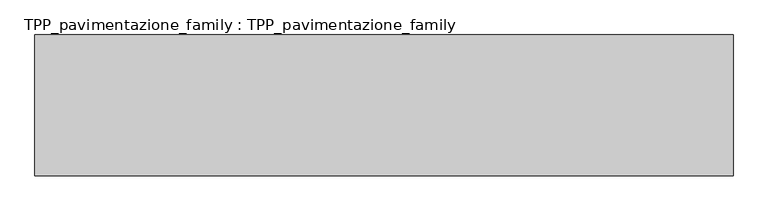
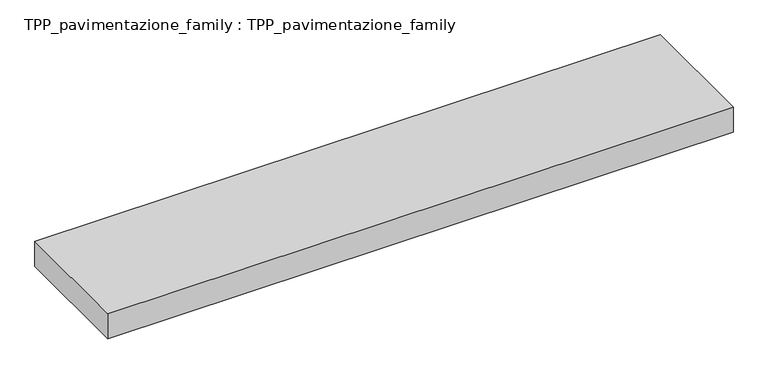
"""IFC4 building model written with IfcOpenShell, lengths in millimetres: proxy geometry, TPP_pavimentazione_family : TPP_pavimentazione_family."""

import ifcopenshell
import ifcopenshell.guid

model = None  # the IFC model being written
_history = None  # IfcOwnerHistory: only IFC2X3 demands one
_inside = {}  # id of a spatial element -> (the spatial element, [elements in it])
_under = {}  # id of a project, library or spatial element -> (it, [spatial elements below it])
_declared = {}  # id of a project -> (the project, [libraries it declares])
_typed = {}  # id of a type object -> (the type object, [elements of that type])
_made_of = {}  # id of a material, layer set ... -> (it, [elements and type objects made of it])


def new_model(schema):
    """Start an empty IFC model of exactly this schema.

    Asked for "IFC4X3", IfcOpenShell would pick the latest addendum, in which some entities
    have other attributes; the version numbers below select the first issue.
    IFC2X3 requires an IfcOwnerHistory on every rooted entity: one is made here for all.
    """
    global model, _history
    if schema == "IFC4X3":
        model = ifcopenshell.file(schema_version=(4, 3, 0, 0))
    else:
        model = ifcopenshell.file(schema=schema)
    _inside.clear()
    _under.clear()
    _declared.clear()
    _typed.clear()
    _made_of.clear()
    _history = None
    if model.schema == "IFC2X3":
        org = make("IfcOrganization", Name="unknown")
        user = make(
            "IfcPersonAndOrganization",
            ThePerson=make("IfcPerson", FamilyName="unknown"),
            TheOrganization=org,
        )
        app = make(
            "IfcApplication",
            ApplicationDeveloper=org,
            Version="unknown",
            ApplicationFullName="unknown",
            ApplicationIdentifier="unknown",
        )
        _history = make(
            "IfcOwnerHistory",
            OwningUser=user,
            OwningApplication=app,
            ChangeAction="ADDED",
            CreationDate=0,
        )
    return model


def make(cls, **values):
    """One entity of the class cls with the attributes given. An attribute that is None is left unset."""
    return model.create_entity(
        cls, **{name: value for name, value in values.items() if value is not None}
    )


def rooted(cls, **values):
    """An entity with a GlobalId (a new one), such as an element, a storey or a relation."""
    return make(cls, GlobalId=ifcopenshell.guid.new(), OwnerHistory=_history, **values)


def si_unit(unit_type, name, prefix=None):
    """IfcSIUnit, for example si_unit("LENGTHUNIT", "METRE", prefix="MILLI")."""
    return make("IfcSIUnit", UnitType=unit_type, Prefix=prefix, Name=name)


def assignment(units):
    """IfcUnitAssignment: the units of a project."""
    return None if units is None else make("IfcUnitAssignment", Units=units)


def point(xyz):
    """IfcCartesianPoint."""
    return None if xyz is None else make("IfcCartesianPoint", Coordinates=xyz)


def direction(xyz):
    """IfcDirection."""
    return None if xyz is None else make("IfcDirection", DirectionRatios=xyz)


def frame(location, z_axis=None, x_axis=None):
    """IfcAxis2Placement3D, a coordinate frame: its origin and axes. An axis left out is left unset."""
    return make(
        "IfcAxis2Placement3D",
        Location=point(location),
        Axis=direction(z_axis),
        RefDirection=direction(x_axis),
    )


def origin():
    """The frame at (0, 0, 0) with its axes left unset."""
    return frame((0.0, 0.0, 0.0))


def origin_with_axes():
    """The frame at (0, 0, 0) with the z axis (0, 0, 1) and the x axis (1, 0, 0) written out."""
    return frame((0.0, 0.0, 0.0), z_axis=(0.0, 0.0, 1.0), x_axis=(1.0, 0.0, 0.0))


def place(relative_to, where):
    """IfcLocalPlacement: puts the frame where relative to a parent placement (None: the world)."""
    return make(
        "IfcLocalPlacement", PlacementRelTo=relative_to, RelativePlacement=where
    )


def context(
    kind, dimensions, precision=None, world=None, true_north=None, identifier=None
):
    """IfcGeometricRepresentationContext, for example the 3D "Model" context."""
    return make(
        "IfcGeometricRepresentationContext",
        ContextIdentifier=identifier,
        ContextType=kind,
        CoordinateSpaceDimension=dimensions,
        Precision=precision,
        WorldCoordinateSystem=world,
        TrueNorth=true_north,
    )


def project(units=None, contexts=None):
    """IfcProject with its units and contexts."""
    return rooted(
        "IfcProject",
        Name="project",
        RepresentationContexts=contexts,
        UnitsInContext=assignment(units),
    )


def spatial(cls, under=None, at=None, **own):
    """A site, building, storey or space (cls), placed at a placement, below another one or the project."""
    s = rooted(cls, ObjectPlacement=at, **own)
    if under is not None:
        _under.setdefault(under.id(), (under, []))[1].append(s)
    return s


def polyline(points):
    """IfcPolyline through the points."""
    return make("IfcPolyline", Points=[point(p) for p in points])


def outline(outer, holes=None, kind="AREA"):
    """IfcArbitraryClosedProfileDef: a profile drawn as a closed curve; with holes, ...WithVoids."""
    if holes is None:
        return make("IfcArbitraryClosedProfileDef", ProfileType=kind, OuterCurve=outer)
    return make(
        "IfcArbitraryProfileDefWithVoids",
        ProfileType=kind,
        OuterCurve=outer,
        InnerCurves=holes,
    )


def extrude(swept, where, along, depth):
    """IfcExtrudedAreaSolid: the profile swept, set in the frame where, extruded along a direction by depth."""
    return make(
        "IfcExtrudedAreaSolid",
        SweptArea=swept,
        Position=where,
        ExtrudedDirection=direction(along),
        Depth=depth,
    )


def shape(context_of_items, identifier, shape_type, items):
    """IfcShapeRepresentation: the items that make up one representation, for example the "Body"."""
    return make(
        "IfcShapeRepresentation",
        ContextOfItems=context_of_items,
        RepresentationIdentifier=identifier,
        RepresentationType=shape_type,
        Items=items,
    )


def source(mapping_origin, context_of_items, identifier, shape_type, items):
    """IfcRepresentationMap: a shape defined once, which mapped items show again and again."""
    return make(
        "IfcRepresentationMap",
        MappingOrigin=mapping_origin,
        MappedRepresentation=shape(context_of_items, identifier, shape_type, items),
    )


def transform(
    local_origin,
    x_axis=None,
    y_axis=None,
    z_axis=None,
    scale=None,
    scale2=None,
    scale3=None,
    uniform=True,
):
    """IfcCartesianTransformationOperator3D, or its non-uniform kind. x_axis, y_axis, z_axis: its Axis1, 2, 3."""
    if uniform:
        return make(
            "IfcCartesianTransformationOperator3D",
            Axis1=direction(x_axis),
            Axis2=direction(y_axis),
            LocalOrigin=point(local_origin),
            Scale=scale,
            Axis3=direction(z_axis),
        )
    return make(
        "IfcCartesianTransformationOperator3DnonUniform",
        Axis1=direction(x_axis),
        Axis2=direction(y_axis),
        LocalOrigin=point(local_origin),
        Scale=scale,
        Axis3=direction(z_axis),
        Scale2=scale2,
        Scale3=scale3,
    )


def mapped(mapping_source, mapping_target):
    """IfcMappedItem: shows the shape of a source again, moved by a transform."""
    return make(
        "IfcMappedItem", MappingSource=mapping_source, MappingTarget=mapping_target
    )


def made_of(thing, what):
    """Note that an element or type object is made of a material, layer set ...; save() writes the relation."""
    if what is not None:
        _made_of.setdefault(what.id(), (what, []))[1].append(thing)
    return thing


def element(
    cls,
    number,
    at=None,
    inside=None,
    cuts=None,
    type_object=None,
    material=None,
    context=None,
    identifier="Body",
    shape_type=None,
    held_by="IfcProductDefinitionShape",
    body=None,
    shapes=None,
    **own,
):
    """One element of the class cls, such as IfcWall. Its Tag is "e" and its number.

    at: its placement. inside: the storey or other place that contains it. cuts: it is an
    opening in that element (IfcRelVoidsElement). A single representation is given by context,
    identifier, shape_type and body (its items); several are given by shapes. held_by: the class
    of the entity that holds the representations. save() writes the other relations.
    """
    e = rooted(cls, Tag="e%d" % number, ObjectPlacement=at, **own)
    if body is not None:
        shapes = [shape(context, identifier, shape_type, body)]
    if shapes is not None:
        e.Representation = make(held_by, Representations=shapes)
    if inside is not None:
        _inside.setdefault(inside.id(), (inside, []))[1].append(e)
    if cuts is not None:
        rooted(
            "IfcRelVoidsElement", RelatingBuildingElement=cuts, RelatedOpeningElement=e
        )
    if type_object is not None:
        _typed.setdefault(type_object.id(), (type_object, []))[1].append(e)
    return made_of(e, material)


def aggregate(whole, parts):
    """IfcRelAggregates: a whole, such as a stair, and the parts it consists of."""
    return rooted("IfcRelAggregates", RelatingObject=whole, RelatedObjects=parts)


def save(model, path):
    """Write the relations noted so far, then the file.

    IfcRelAggregates (storeys below a building ...), IfcRelContainedInSpatialStructure (elements
    in a storey), IfcRelDefinesByType, IfcRelAssociatesMaterial and IfcRelDeclares: one each for
    every whole, place, type object, material and project.
    """
    for whole, parts in _under.values():
        aggregate(whole, parts)
    for where, things in _inside.values():
        rooted(
            "IfcRelContainedInSpatialStructure",
            RelatedElements=things,
            RelatingStructure=where,
        )
    for kind, things in _typed.values():
        rooted("IfcRelDefinesByType", RelatedObjects=things, RelatingType=kind)
    for what, things in _made_of.values():
        rooted("IfcRelAssociatesMaterial", RelatedObjects=things, RelatingMaterial=what)
    for by, libraries in _declared.values():
        rooted("IfcRelDeclares", RelatingContext=by, RelatedDefinitions=libraries)
    model.write(path)


def tpp_pavimentazione_family_tpp_pavimentazione_family_1d4ffa56(model_context):
    return source(origin(), model_context, "Body", "SweptSolid", [
        extrude(outline(polyline([(511.8146187, 354.2201026), (511.8146187, 114.2201026), (-676.4573313, 114.2201026), (-676.4573313, 354.2201026), (511.8146187, 354.2201026)])), origin_with_axes(), (0.0, 0.0, 1.0), 50.0),
    ])


if __name__ == "__main__":
    model = new_model("IFC4")
    model_context = context("Model", 3, world=origin())
    ifc_project = project(units=[si_unit("LENGTHUNIT", "METRE", prefix="MILLI")], contexts=[model_context])
    site = spatial("IfcSite", under=ifc_project)
    building = spatial("IfcBuilding", under=site)
    placement = place(None, origin())
    tpp_pavimentazione_family_tpp_pavimentazione_family_shape = tpp_pavimentazione_family_tpp_pavimentazione_family_1d4ffa56(model_context)
    element("IfcBuildingElementProxy", 1, Name="TPP_pavimentazione_family : TPP_pavimentazione_family", ObjectType="TPP_pavimentazione_family : TPP_pavimentazione_family", at=placement, inside=building, context=model_context, shape_type="MappedRepresentation", body=[
        mapped(tpp_pavimentazione_family_tpp_pavimentazione_family_shape, transform((0.0, 0.0, 0.0), x_axis=(1.0, 0.0, 0.0), y_axis=(0.0, 1.0, 0.0), z_axis=(0.0, 0.0, 1.0))),
    ])
    save(model, "model.ifc")
